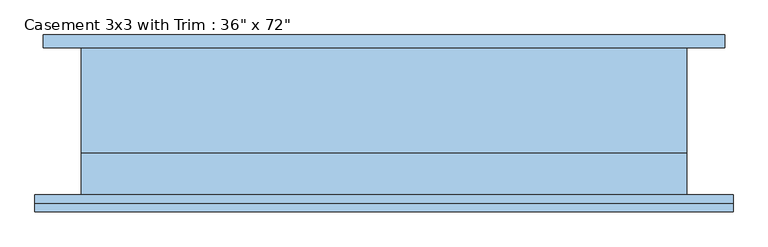
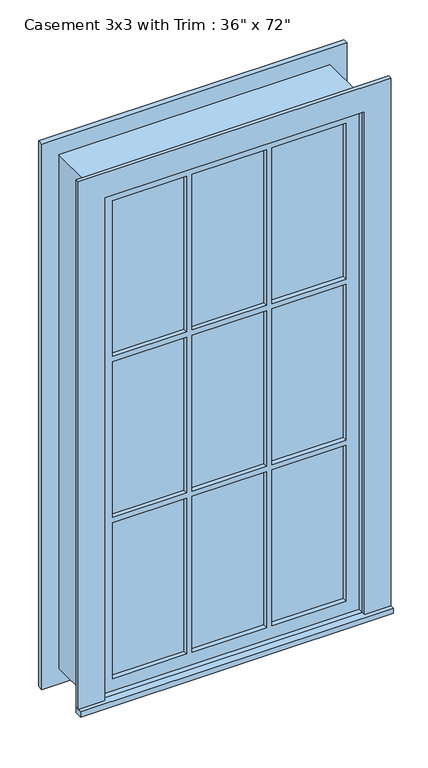
"""IFC4 building model written with IfcOpenShell, lengths in millimetres: window geometry."""

from ifc_helpers import new_model, si_unit, frame, origin, place, context, project, spatial, polyline, outline, extrude, source, transform, mapped, element, save


def window_d45b3303(model_context):
    return source(origin(), model_context, "Body", "SweptSolid", [
        extrude(outline(polyline([(-527.05, -136.525), (-527.05, -111.125), (527.05, -111.125), (527.05, -136.525), (-527.05, -136.525)])), frame((0.0, 0.0, 304.8), z_axis=(0.0, 0.0, 1.0), x_axis=(1.0, 0.0, 0.0)), (0.0, 0.0, 1.0), 19.05),
        extrude(outline(polyline([(2114.55, -438.15), (2114.55, 438.15), (323.85, 438.15), (323.85, 527.05), (2203.45, 527.05), (2203.45, -527.05), (323.85, -527.05), (323.85, -438.15), (2114.55, -438.15)])), frame((0.0, -123.825, 0.0), z_axis=(0.0, 1.0, 0.0), x_axis=(0.0, 0.0, 1.0)), (0.0, 0.0, 1.0), 12.7),
        extrude(outline(polyline([(143.9333333, -76.2), (143.9333333, -63.5), (393.7, -63.5), (393.7, -76.2), (143.9333333, -76.2)])), frame((0.0, 0.0, 1515.5333333), z_axis=(0.0, 0.0, 1.0), x_axis=(1.0, 0.0, 0.0)), (0.0, 0.0, 1.0), 554.5666667),
        extrude(outline(polyline([(-124.8833333, -76.2), (-124.8833333, -63.5), (124.8833333, -63.5), (124.8833333, -76.2), (-124.8833333, -76.2)])), frame((0.0, 0.0, 1515.5333333), z_axis=(0.0, 0.0, 1.0), x_axis=(1.0, 0.0, 0.0)), (0.0, 0.0, 1.0), 554.5666667),
        extrude(outline(polyline([(-393.7, -76.2), (-393.7, -63.5), (-143.9333333, -63.5), (-143.9333333, -76.2), (-393.7, -76.2)])), frame((0.0, 0.0, 1515.5333333), z_axis=(0.0, 0.0, 1.0), x_axis=(1.0, 0.0, 0.0)), (0.0, 0.0, 1.0), 554.5666667),
        extrude(outline(polyline([(-393.7, -76.2), (-393.7, -63.5), (-143.9333333, -63.5), (-143.9333333, -76.2), (-393.7, -76.2)])), frame((0.0, 0.0, 941.9166667), z_axis=(0.0, 0.0, 1.0), x_axis=(1.0, 0.0, 0.0)), (0.0, 0.0, 1.0), 554.5666667),
        extrude(outline(polyline([(-124.8833333, -76.2), (-124.8833333, -63.5), (124.8833333, -63.5), (124.8833333, -76.2), (-124.8833333, -76.2)])), frame((0.0, 0.0, 941.9166667), z_axis=(0.0, 0.0, 1.0), x_axis=(1.0, 0.0, 0.0)), (0.0, 0.0, 1.0), 554.5666667),
        extrude(outline(polyline([(143.9333333, -76.2), (143.9333333, -63.5), (393.7, -63.5), (393.7, -76.2), (143.9333333, -76.2)])), frame((0.0, 0.0, 941.9166667), z_axis=(0.0, 0.0, 1.0), x_axis=(1.0, 0.0, 0.0)), (0.0, 0.0, 1.0), 554.5666667),
        extrude(outline(polyline([(143.9333333, -76.2), (143.9333333, -63.5), (393.7, -63.5), (393.7, -76.2), (143.9333333, -76.2)])), frame((0.0, 0.0, 368.3), z_axis=(0.0, 0.0, 1.0), x_axis=(1.0, 0.0, 0.0)), (0.0, 0.0, 1.0), 554.5666667),
        extrude(outline(polyline([(-124.8833333, -76.2), (-124.8833333, -63.5), (124.8833333, -63.5), (124.8833333, -76.2), (-124.8833333, -76.2)])), frame((0.0, 0.0, 368.3), z_axis=(0.0, 0.0, 1.0), x_axis=(1.0, 0.0, 0.0)), (0.0, 0.0, 1.0), 554.5666667),
        extrude(outline(polyline([(-393.7, -76.2), (-393.7, -63.5), (-143.9333333, -63.5), (-143.9333333, -76.2), (-393.7, -76.2)])), frame((0.0, 0.0, 368.3), z_axis=(0.0, 0.0, 1.0), x_axis=(1.0, 0.0, 0.0)), (0.0, 0.0, 1.0), 554.5666667),
        extrude(outline(polyline([(2190.75, 514.35), (2190.75, -514.35), (247.65, -514.35), (247.65, 514.35), (2190.75, 514.35)]), holes=[polyline([(2101.85, 425.45), (336.55, 425.45), (336.55, -425.45), (2101.85, -425.45), (2101.85, 425.45)])]), frame((0.0, 111.125, 0.0), z_axis=(0.0, 1.0, 0.0), x_axis=(0.0, 0.0, 1.0)), (0.0, 0.0, 1.0), 19.05),
        extrude(outline(polyline([(2114.55, -438.15), (323.85, -438.15), (323.85, 438.15), (2114.55, 438.15), (2114.55, -438.15)]), holes=[polyline([(2070.1, -143.9333333), (1515.5333333, -143.9333333), (1515.5333333, -393.7), (2070.1, -393.7), (2070.1, -143.9333333)]), polyline([(1496.4833333, -143.9333333), (941.9166667, -143.9333333), (941.9166667, -393.7), (1496.4833333, -393.7), (1496.4833333, -143.9333333)]), polyline([(922.8666667, -143.9333333), (368.3, -143.9333333), (368.3, -393.7), (922.8666667, -393.7), (922.8666667, -143.9333333)]), polyline([(2070.1, 124.8833333), (1515.5333333, 124.8833333), (1515.5333333, -124.8833333), (2070.1, -124.8833333), (2070.1, 124.8833333)]), polyline([(1496.4833333, 124.8833333), (941.9166667, 124.8833333), (941.9166667, -124.8833333), (1496.4833333, -124.8833333), (1496.4833333, 124.8833333)]), polyline([(922.8666667, 124.8833333), (368.3, 124.8833333), (368.3, -124.8833333), (922.8666667, -124.8833333), (922.8666667, 124.8833333)]), polyline([(2070.1, 393.7), (1515.5333333, 393.7), (1515.5333333, 143.9333333), (2070.1, 143.9333333), (2070.1, 393.7)]), polyline([(1496.4833333, 393.7), (941.9166667, 393.7), (941.9166667, 143.9333333), (1496.4833333, 143.9333333), (1496.4833333, 393.7)]), polyline([(922.8666667, 393.7), (368.3, 393.7), (368.3, 143.9333333), (922.8666667, 143.9333333), (922.8666667, 393.7)])]), frame((0.0, -92.075, 0.0), z_axis=(0.0, 1.0, 0.0), x_axis=(0.0, 0.0, 1.0)), (0.0, 0.0, 1.0), 44.45),
        extrude(outline(polyline([(2133.6, -457.2), (304.8, -457.2), (304.8, 457.2), (2133.6, 457.2), (2133.6, -457.2)]), holes=[polyline([(2101.85, -425.45), (2101.85, 425.45), (336.55, 425.45), (336.55, -425.45), (2101.85, -425.45)])]), frame((0.0, -47.625, 0.0), z_axis=(0.0, 1.0, 0.0), x_axis=(0.0, 0.0, 1.0)), (0.0, 0.0, 1.0), 158.75),
        extrude(outline(polyline([(2133.6, 457.2), (2133.6, -457.2), (304.8, -457.2), (304.8, 457.2), (2133.6, 457.2)]), holes=[polyline([(2114.55, 438.15), (323.85, 438.15), (323.85, -438.15), (2114.55, -438.15), (2114.55, 438.15)])]), frame((0.0, -111.125, 0.0), z_axis=(0.0, 1.0, 0.0), x_axis=(0.0, 0.0, 1.0)), (0.0, 0.0, 1.0), 63.5),
    ])


if __name__ == "__main__":
    model = new_model("IFC4")
    model_context = context("Model", 3, world=origin())
    ifc_project = project(units=[si_unit("LENGTHUNIT", "METRE", prefix="MILLI")], contexts=[model_context])
    site = spatial("IfcSite", under=ifc_project)
    building = spatial("IfcBuilding", under=site)
    placement = place(None, origin())
    window_shape = window_d45b3303(model_context)
    element("IfcWindow", 1, ObjectType="Casement 3x3 with Trim : 36\" x 72\"", at=placement, inside=building, context=model_context, shape_type="MappedRepresentation", body=[
        mapped(window_shape, transform((0.0, 0.0, 0.0), x_axis=(1.0, 0.0, 0.0), y_axis=(0.0, 1.0, 0.0), z_axis=(0.0, 0.0, 1.0))),
    ])
    save(model, "model.ifc")
